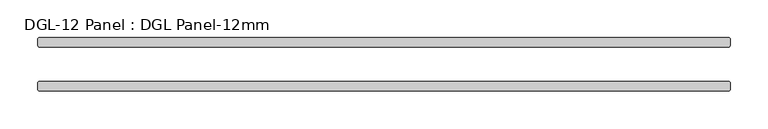
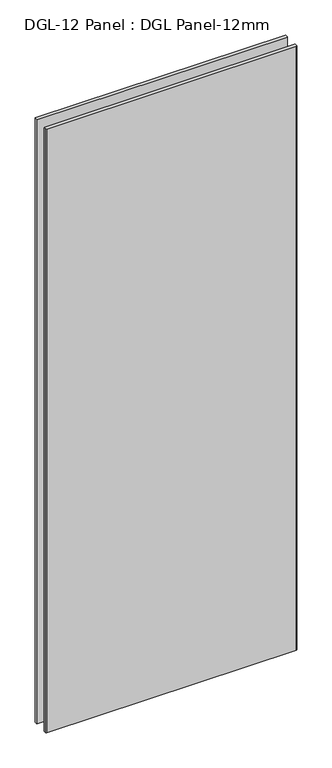
"""IFC4 building model written with IfcOpenShell, lengths in millimetres: plate geometry, DGL-12 Panel : DGL Panel-12mm."""

from ifc_helpers import new_model, si_unit, origin, origin_with_axes, place, context, project, spatial, polyline, outline, extrude, source, transform, mapped, element, save


def dgl_12_panel_dgl_panel_12mm_426999dc(model_context):
    return source(origin(), model_context, "Body", "SweptSolid", [
        extrude(outline(polyline([(458.6654813, -22.9195313), (460.2529813, -24.5070313), (460.2529813, -34.0320313), (458.6654813, -35.6195313), (-458.6654813, -35.6195313), (-460.2529813, -34.0320313), (-460.2529813, -24.5070313), (-458.6654813, -22.9195313), (458.6654813, -22.9195313)])), origin_with_axes(), (0.0, 0.0, 1.0), 2339.4622278),
        extrude(outline(polyline([(458.6654813, 35.6195312), (460.2529813, 34.0320312), (460.2529813, 24.5070312), (458.6654813, 22.9195312), (-458.6654813, 22.9195312), (-460.2529813, 24.5070312), (-460.2529813, 34.0320312), (-458.6654813, 35.6195312), (458.6654813, 35.6195312)])), origin_with_axes(), (0.0, 0.0, 1.0), 2339.4622278),
    ])


if __name__ == "__main__":
    model = new_model("IFC4")
    model_context = context("Model", 3, world=origin())
    ifc_project = project(units=[si_unit("LENGTHUNIT", "METRE", prefix="MILLI")], contexts=[model_context])
    site = spatial("IfcSite", under=ifc_project)
    building = spatial("IfcBuilding", under=site)
    placement = place(None, origin())
    dgl_12_panel_dgl_panel_12mm_shape = dgl_12_panel_dgl_panel_12mm_426999dc(model_context)
    element("IfcPlate", 1, ObjectType="DGL-12 Panel : DGL Panel-12mm", at=placement, inside=building, context=model_context, shape_type="MappedRepresentation", body=[
        mapped(dgl_12_panel_dgl_panel_12mm_shape, transform((0.0, 0.0, 0.0), x_axis=(1.0, 0.0, 0.0), y_axis=(0.0, 1.0, 0.0), z_axis=(0.0, 0.0, 1.0))),
    ])
    save(model, "model.ifc")
